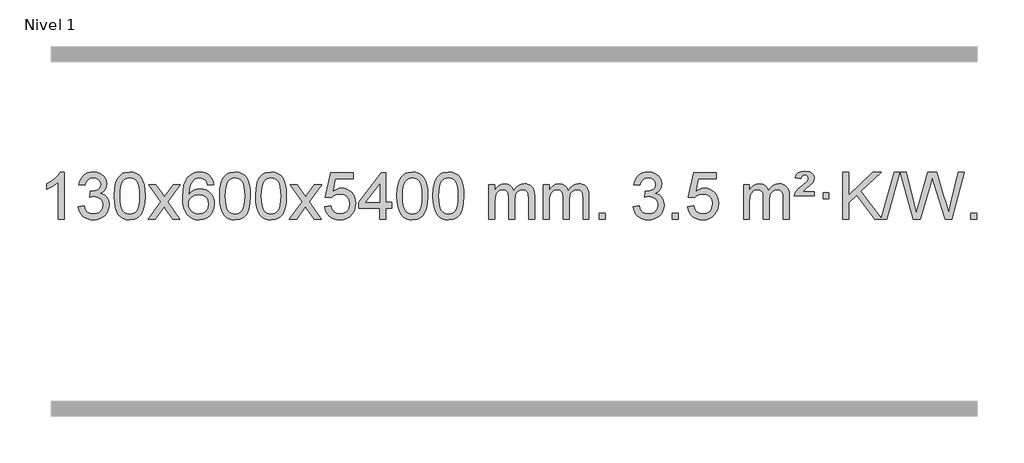
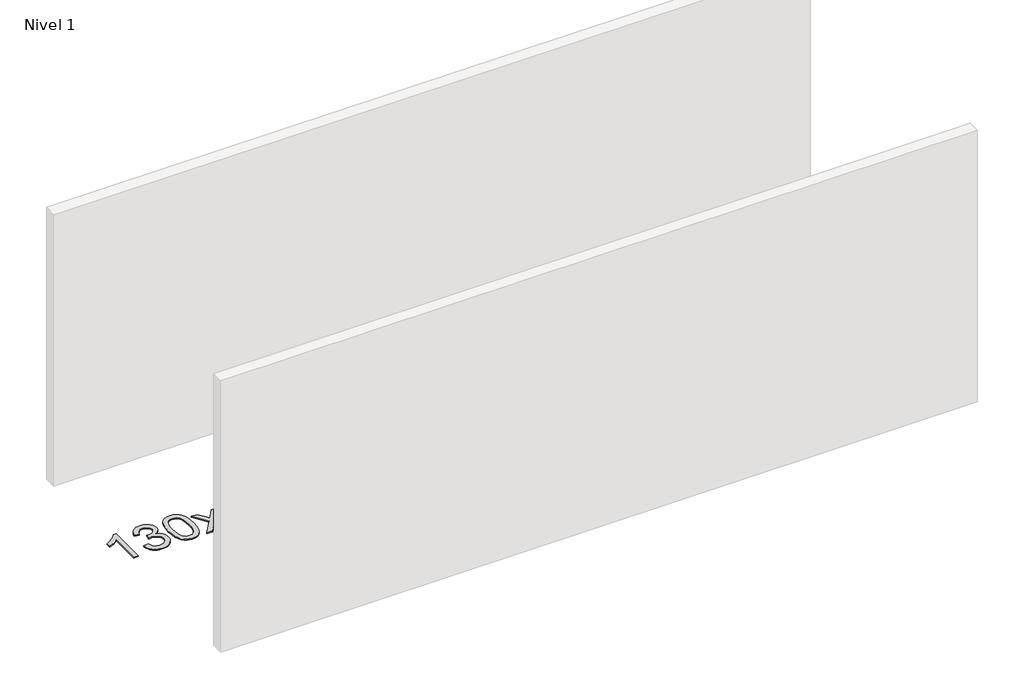
# One storey, part 13 of 25: 1 proxy.
"""IFC4 building model written with IfcOpenShell, lengths in millimetres."""

from ifc_helpers import new_model, si_unit, origin, origin_with_axes, place, context, project, spatial, polyline, outline, extrude, element, save

model = new_model("IFC4")

# Units and contexts
model_context = context("Model", 3, world=origin())
ifc_project = project(units=[si_unit("LENGTHUNIT", "METRE", prefix="MILLI")], contexts=[model_context])

# Site, building, storey
site = spatial("IfcSite", under=ifc_project)
building = spatial("IfcBuilding", under=site)
storey = spatial("IfcBuildingStorey", under=building, Name="Nivel 1", Elevation=0.0)

# Proxy
placement = place(None, origin())
element("IfcBuildingElementProxy", 1, Name="Texto de modelo 1", ObjectType="Texto de modelo 1", at=placement, inside=storey, context=model_context, shape_type="SweptSolid", body=[
    extrude(outline(polyline([(-121.6378538, -30665.579453), (-171.8660089, -30665.579453), (-171.8660089, -30352.4382987), (-192.8352826, -30369.3976587), (-219.4454136, -30386.3324932), (-272.3223191, -30411.6918254), (-272.3223191, -30364.2105225), (-232.8731065, -30342.7507395), (-198.6968691, -30317.219729), (-171.7556443, -30290.0700378), (-154.0114694, -30263.7542124), (-121.6378538, -30263.7542124), (-121.6378538, -30665.579453)])), origin_with_axes(), (0.0, 0.0, 1.0), 10.0),
    extrude(outline(polyline([(-2.3459855, -30558.8446235), (47.8821695, -30552.5661041), (59.1270958, -30584.1303793), (75.5959465, -30605.4430095), (98.0980619, -30617.5831154), (127.4427824, -30621.6298173), (161.8765371, -30616.0625364), (176.1503585, -30609.1034354), (188.4621426, -30599.3606939), (205.4582908, -30574.4428201), (211.1236735, -30544.2274455), (205.5073417, -30515.5449126), (188.6583463, -30492.2825078), (163.1518614, -30476.8682522), (131.5630607, -30471.730167), (96.344491, -30477.2238715), (101.9362974, -30426.9957164), (109.9806503, -30427.5843276), (140.0733975, -30423.979084), (166.9778341, -30413.1633534), (178.0510822, -30404.9841103), (185.9605451, -30394.8673555), (190.7062228, -30382.8130888), (192.2881154, -30368.8213102), (187.7018532, -30347.1285352), (173.9430665, -30329.5315131), (152.9492674, -30317.8696539), (126.6579674, -30313.9823675), (100.3176166, -30317.9064421), (78.7842571, -30329.6786659), (63.0634332, -30349.299039), (54.1606889, -30376.7675613), (3.9325338, -30370.4890419), (9.8860908, -30346.5092672), (18.72139, -30325.3867093), (30.4384316, -30307.1213683), (45.0372154, -30291.713244), (62.0578891, -30279.4811677), (81.0406, -30270.7439703), (101.9853483, -30265.5016519), (124.8921339, -30263.7542124), (156.4686718, -30267.2000404), (185.4700357, -30277.5375245), (209.9219257, -30293.8469596), (227.8500416, -30315.2086408), (238.8497132, -30339.8199463), (242.5162704, -30365.8782543), (239.0336542, -30390.1584659), (228.5858056, -30412.1823347), (211.3198773, -30430.9443165), (187.3830221, -30445.4388671), (218.82467, -30458.1430586), (242.123863, -30479.77452), (256.5448372, -30509.1560286), (261.3518286, -30545.1103623), (258.9483329, -30570.5923218), (251.7378458, -30594.0631931), (239.7203673, -30615.5229762), (222.8958974, -30634.971671), (202.3987389, -30651.1094278), (179.3631946, -30662.636397), (153.7892646, -30669.5525785), (125.6769488, -30671.8579724), (100.2685656, -30669.8898037), (77.1165254, -30663.9852977), (56.2208281, -30654.1444543), (37.5814737, -30640.3672736), (21.9526202, -30623.4630959), (10.0884259, -30604.2412617), (1.9888906, -30582.7017708), (-2.3459855, -30558.8446235)])), origin_with_axes(), (0.0, 0.0, 1.0), 10.0),
    extrude(outline(polyline([(305.3014643, -30467.9041943), (308.992547, -30403.5861588), (320.065795, -30352.2911459), (338.4108439, -30313.2343407), (350.2689068, -30298.0009605), (363.9173289, -30285.6309284), (379.4020952, -30276.0598651), (396.769191, -30269.2233914), (437.1503714, -30263.7542124), (468.1015099, -30266.991574), (495.8152869, -30276.7036586), (518.9918526, -30292.5103217), (536.3313573, -30314.0314184), (549.4279563, -30341.0830078), (559.8758049, -30373.4811488), (566.7184101, -30414.6226186), (568.9992784, -30467.9041943), (565.3449839, -30531.8543477), (554.3821005, -30583.0267333), (536.1474163, -30622.1203266), (524.3169444, -30637.3996922), (510.6777195, -30649.8341036), (495.174559, -30659.4695462), (477.7522809, -30666.3520052), (437.1503714, -30671.8579724), (409.4856453, -30669.4667394), (384.960179, -30662.2930405), (363.5739723, -30650.3368757), (345.3270254, -30633.5982449), (327.8158424, -30603.3399508), (315.3078546, -30565.6381776), (307.8030619, -30520.4929255), (305.3014643, -30467.9041943)]), holes=[polyline([(355.5296194, -30467.8060924), (357.0011473, -30511.4706195), (361.4157313, -30546.8148822), (368.7733712, -30573.8388804), (379.0740671, -30592.5426142), (391.533004, -30605.2682656), (405.365367, -30614.3580165), (420.5711561, -30619.8118671), (437.1503714, -30621.6298173), (453.7295866, -30619.8057357), (468.9353757, -30614.3334911), (482.7677388, -30605.2130833), (495.2266757, -30592.4445124), (505.5273715, -30573.7101217), (512.8850114, -30546.6922549), (517.2995954, -30511.3909118), (518.7711234, -30467.8060924), (517.3486463, -30425.2973278), (513.0812152, -30390.5753989), (505.9688299, -30363.6403055), (496.0114906, -30344.4920476), (483.7610201, -30331.1440625), (469.7692416, -30321.6097875), (454.0361549, -30315.8892225), (436.5617602, -30313.9823675), (420.068384, -30315.6623619), (405.1201123, -30320.7023452), (391.716945, -30329.1023175), (379.858882, -30340.8622786), (369.2148296, -30361.708925), (361.611935, -30389.8151094), (357.0501983, -30425.1808319), (355.5296194, -30467.8060924)])]), origin_with_axes(), (0.0, 0.0, 1.0), 10.0),
    extrude(outline(polyline([(594.113356, -30665.579453), (701.4367967, -30517.1513307), (600.3918754, -30370.4890419), (660.6264207, -30370.4890419), (709.3830478, -30441.2204869), (732.2407824, -30474.4770192), (752.0573592, -30447.2047007), (807.583015, -30370.4890419), (868.0137641, -30370.4890419), (761.8675458, -30517.2494325), (864.0896895, -30665.579453), (803.7570423, -30665.579453), (742.1490708, -30576.3067555), (730.9654582, -30559.923744), (654.544105, -30665.579453), (594.113356, -30665.579453)])), origin_with_axes(), (0.0, 0.0, 1.0), 10.0),
    extrude(outline(polyline([(1152.9015812, -30370.4890419), (1102.6734261, -30376.7675613), (1094.5800222, -30351.874213), (1083.6416642, -30334.8780648), (1060.857506, -30319.2062918), (1033.3154073, -30313.9823675), (1009.9671633, -30317.0235253), (987.9923455, -30326.1469988), (969.1199991, -30345.3627017), (953.7057435, -30371.8134171), (943.2946831, -30409.227016), (939.4319221, -30461.3313693), (959.5795927, -30437.8237098), (983.7249143, -30421.2567573), (1010.5189863, -30411.434308), (1038.612908, -30408.1601582), (1062.7459669, -30410.398107), (1085.0150903, -30417.1119534), (1105.4202783, -30428.3016975), (1123.9615309, -30443.9673391), (1139.3696551, -30463.1769106), (1150.3754581, -30484.9984443), (1156.97894, -30509.4319401), (1159.1801006, -30536.4773982), (1155.0352967, -30572.4439945), (1142.6008853, -30605.786366), (1122.9069358, -30634.0642287), (1096.9835179, -30654.8372987), (1066.0078539, -30667.602804), (1031.1571662, -30671.8579724), (1001.2146375, -30669.0375437), (974.1722452, -30660.5762579), (950.0299893, -30646.4741147), (928.7878697, -30626.7311143), (911.4698248, -30600.5133908), (899.0997927, -30566.9870783), (891.6777734, -30526.1521768), (889.203767, -30478.0086864), (891.9506193, -30424.0342663), (900.191176, -30377.9693092), (913.9254371, -30339.8138149), (933.1534027, -30309.5677835), (953.9939177, -30289.5243462), (978.1576335, -30275.2076052), (1005.6445499, -30266.6175606), (1036.454667, -30263.7542124), (1059.5883131, -30265.5261773), (1080.52693, -30270.8420722), (1099.2705176, -30279.7018969), (1115.8190761, -30292.1056515), (1129.7250155, -30307.6364031), (1140.5407461, -30325.8772186), (1148.266268, -30346.8280983), (1152.9015812, -30370.4890419)]), holes=[polyline([(939.4319221, -30535.6925832), (942.3381899, -30557.9494439), (951.0569932, -30579.2007605), (964.5950506, -30597.472233), (981.9590807, -30610.7895612), (1002.9160917, -30618.9197533), (1027.2330916, -30621.6298173), (1060.3792594, -30616.0134855), (1074.2943959, -30608.9930708), (1086.4375674, -30599.1644901), (1096.2876078, -30586.9262824), (1103.323351, -30572.6769865), (1108.9519455, -30538.1451299), (1103.3969274, -30504.9989621), (1096.4531547, -30491.3781312), (1086.731873, -30479.725469), (1074.5519133, -30470.3904634), (1060.2321066, -30463.7226022), (1025.1729524, -30458.3883133), (992.0758356, -30463.7226022), (964.3988468, -30479.725469), (953.4758173, -30491.2248471), (945.6736533, -30504.3858254), (940.9923549, -30519.2084042), (939.4319221, -30535.6925832)])]), origin_with_axes(), (0.0, 0.0, 1.0), 10.0),
    extrude(outline(polyline([(1203.1297362, -30467.9041943), (1206.8208189, -30403.5861588), (1217.894067, -30352.2911459), (1236.2391158, -30313.2343407), (1248.0971788, -30298.0009605), (1261.7456008, -30285.6309284), (1277.2303671, -30276.0598651), (1294.597463, -30269.2233914), (1334.9786433, -30263.7542124), (1365.9297818, -30266.991574), (1393.6435588, -30276.7036586), (1416.8201245, -30292.5103217), (1434.1596292, -30314.0314184), (1447.2562282, -30341.0830078), (1457.7040769, -30373.4811488), (1464.546682, -30414.6226186), (1466.8275504, -30467.9041943), (1463.1732559, -30531.8543477), (1452.2103725, -30583.0267333), (1433.9756882, -30622.1203266), (1422.1452164, -30637.3996922), (1408.5059914, -30649.8341036), (1393.002831, -30659.4695462), (1375.5805529, -30666.3520052), (1334.9786433, -30671.8579724), (1307.3139173, -30669.4667394), (1282.7884509, -30662.2930405), (1261.4022443, -30650.3368757), (1243.1552973, -30633.5982449), (1225.6441144, -30603.3399508), (1213.1361265, -30565.6381776), (1205.6313338, -30520.4929255), (1203.1297362, -30467.9041943)]), holes=[polyline([(1253.3578913, -30467.8060924), (1254.8294193, -30511.4706195), (1259.2440032, -30546.8148822), (1266.6016432, -30573.8388804), (1276.902339, -30592.5426142), (1289.3612759, -30605.2682656), (1303.1936389, -30614.3580165), (1318.3994281, -30619.8118671), (1334.9786433, -30621.6298173), (1351.5578586, -30619.8057357), (1366.7636477, -30614.3334911), (1380.5960107, -30605.2130833), (1393.0549476, -30592.4445124), (1403.3556435, -30573.7101217), (1410.7132834, -30546.6922549), (1415.1278673, -30511.3909118), (1416.5993953, -30467.8060924), (1415.1769183, -30425.2973278), (1410.9094871, -30390.5753989), (1403.7971019, -30363.6403055), (1393.8397625, -30344.4920476), (1381.5892921, -30331.1440625), (1367.5975136, -30321.6097875), (1351.8644269, -30315.8892225), (1334.3900321, -30313.9823675), (1317.896656, -30315.6623619), (1302.9483843, -30320.7023452), (1289.5452169, -30329.1023175), (1277.6871539, -30340.8622786), (1267.0431015, -30361.708925), (1259.440207, -30389.8151094), (1254.8784702, -30425.1808319), (1253.3578913, -30467.8060924)])]), origin_with_axes(), (0.0, 0.0, 1.0), 10.0),
    extrude(outline(polyline([(1510.7771861, -30467.9041943), (1514.4682688, -30403.5861588), (1525.5415168, -30352.2911459), (1543.8865656, -30313.2343407), (1555.7446286, -30298.0009605), (1569.3930506, -30285.6309284), (1584.877817, -30276.0598651), (1602.2449128, -30269.2233914), (1642.6260932, -30263.7542124), (1673.5772317, -30266.991574), (1701.2910087, -30276.7036586), (1724.4675743, -30292.5103217), (1741.8070791, -30314.0314184), (1754.9036781, -30341.0830078), (1765.3515267, -30373.4811488), (1772.1941319, -30414.6226186), (1774.4750002, -30467.9041943), (1770.8207057, -30531.8543477), (1759.8578223, -30583.0267333), (1741.6231381, -30622.1203266), (1729.7926662, -30637.3996922), (1716.1534413, -30649.8341036), (1700.6502808, -30659.4695462), (1683.2280027, -30666.3520052), (1642.6260932, -30671.8579724), (1614.9613671, -30669.4667394), (1590.4359008, -30662.2930405), (1569.0496941, -30650.3368757), (1550.8027472, -30633.5982449), (1533.2915642, -30603.3399508), (1520.7835764, -30565.6381776), (1513.2787836, -30520.4929255), (1510.7771861, -30467.9041943)]), holes=[polyline([(1561.0053412, -30467.8060924), (1562.4768691, -30511.4706195), (1566.8914531, -30546.8148822), (1574.249093, -30573.8388804), (1584.5497888, -30592.5426142), (1597.0087258, -30605.2682656), (1610.8410888, -30614.3580165), (1626.0468779, -30619.8118671), (1642.6260932, -30621.6298173), (1659.2053084, -30619.8057357), (1674.4110975, -30614.3334911), (1688.2434606, -30605.2130833), (1700.7023975, -30592.4445124), (1711.0030933, -30573.7101217), (1718.3607332, -30546.6922549), (1722.7753172, -30511.3909118), (1724.2468452, -30467.8060924), (1722.8243681, -30425.2973278), (1718.556937, -30390.5753989), (1711.4445517, -30363.6403055), (1701.4872124, -30344.4920476), (1689.2367419, -30331.1440625), (1675.2449634, -30321.6097875), (1659.5118767, -30315.8892225), (1642.037482, -30313.9823675), (1625.5441058, -30315.6623619), (1610.5958341, -30320.7023452), (1597.1926667, -30329.1023175), (1585.3346038, -30340.8622786), (1574.6905514, -30361.708925), (1567.0876568, -30389.8151094), (1562.5259201, -30425.1808319), (1561.0053412, -30467.8060924)])]), origin_with_axes(), (0.0, 0.0, 1.0), 10.0),
    extrude(outline(polyline([(1799.5890778, -30665.579453), (1906.9125185, -30517.1513307), (1805.8675971, -30370.4890419), (1866.1021425, -30370.4890419), (1914.8587696, -30441.2204869), (1937.7165042, -30474.4770192), (1957.533081, -30447.2047007), (2013.0587368, -30370.4890419), (2073.4894859, -30370.4890419), (1967.3432676, -30517.2494325), (2069.5654113, -30665.579453), (2009.2327641, -30665.579453), (1947.6247926, -30576.3067555), (1936.44118, -30559.923744), (1860.0198268, -30665.579453), (1799.5890778, -30665.579453)])), origin_with_axes(), (0.0, 0.0, 1.0), 10.0),
    extrude(outline(polyline([(2100.9580082, -30558.8446235), (2151.1861633, -30552.5661041), (2160.4077386, -30582.7201649), (2176.4964446, -30604.3148381), (2199.3787047, -30617.3010725), (2228.9809425, -30621.6298173), (2248.1108063, -30620.1245668), (2264.9843271, -30615.6088153), (2279.6015051, -30608.0825628), (2291.9623401, -30597.5458094), (2301.7909207, -30584.519721), (2308.8113355, -30569.5254641), (2314.4276673, -30533.6324441), (2309.1669547, -30499.8363514), (2302.5910641, -30485.9181493), (2293.3848172, -30473.9865099), (2281.5175571, -30464.4154467), (2266.9586272, -30457.5789729), (2229.7657575, -30452.1097939), (2205.3997066, -30454.2925604), (2185.668969, -30460.8408599), (2169.9113568, -30470.8717757), (2157.4646827, -30483.5023908), (2107.2365276, -30477.2238715), (2151.1861633, -30270.0327318), (2345.8202642, -30270.0327318), (2345.8202642, -30320.2608869), (2191.8003356, -30320.2608869), (2170.2179252, -30430.919791), (2187.943706, -30418.2155994), (2206.0986824, -30409.1411769), (2224.6828546, -30403.6965234), (2243.6962223, -30401.8816388), (2268.160375, -30404.1318504), (2290.6379649, -30410.882485), (2311.1289921, -30422.1335427), (2329.6334564, -30437.8850234), (2344.9557415, -30457.1743027), (2355.9002309, -30479.038756), (2362.4669245, -30503.4783832), (2364.6558224, -30530.4931844), (2362.6876537, -30556.5147042), (2356.7831477, -30580.7213394), (2346.9423043, -30603.1130902), (2333.1651236, -30623.6899565), (2312.2939517, -30644.7634634), (2287.9401636, -30659.8159684), (2260.1037593, -30668.8474714), (2228.7847388, -30671.8579724), (2202.8643866, -30669.9235262), (2179.4517632, -30664.1201877), (2158.5468689, -30654.447957), (2140.1497034, -30640.9068338), (2124.8427467, -30624.1712688), (2113.2084787, -30604.915712), (2105.2468991, -30583.1401636), (2100.9580082, -30558.8446235)])), origin_with_axes(), (0.0, 0.0, 1.0), 10.0),
    extrude(outline(polyline([(2571.846962, -30665.579453), (2571.846962, -30571.4016622), (2389.7698999, -30571.4016622), (2389.7698999, -30521.1735072), (2584.4040008, -30270.0327318), (2622.0751171, -30270.0327318), (2622.0751171, -30521.1735072), (2672.3032722, -30521.1735072), (2672.3032722, -30571.4016622), (2622.0751171, -30571.4016622), (2622.0751171, -30665.579453), (2571.846962, -30665.579453)]), holes=[polyline([(2571.846962, -30521.1735072), (2571.846962, -30365.9763561), (2451.5740751, -30521.1735072), (2571.846962, -30521.1735072)])]), origin_with_axes(), (0.0, 0.0, 1.0), 10.0),
    extrude(outline(polyline([(2716.2529079, -30467.9041943), (2719.9439906, -30403.5861588), (2731.0172386, -30352.2911459), (2749.3622874, -30313.2343407), (2761.2203504, -30298.0009605), (2774.8687724, -30285.6309284), (2790.3535388, -30276.0598651), (2807.7206346, -30269.2233914), (2848.1018149, -30263.7542124), (2879.0529535, -30266.991574), (2906.7667304, -30276.7036586), (2929.9432961, -30292.5103217), (2947.2828008, -30314.0314184), (2960.3793999, -30341.0830078), (2970.8272485, -30373.4811488), (2977.6698537, -30414.6226186), (2979.950722, -30467.9041943), (2976.2964275, -30531.8543477), (2965.3335441, -30583.0267333), (2947.0988599, -30622.1203266), (2935.268388, -30637.3996922), (2921.6291631, -30649.8341036), (2906.1260026, -30659.4695462), (2888.7037245, -30666.3520052), (2848.1018149, -30671.8579724), (2820.4370889, -30669.4667394), (2795.9116226, -30662.2930405), (2774.5254159, -30650.3368757), (2756.278469, -30633.5982449), (2738.767286, -30603.3399508), (2726.2592981, -30565.6381776), (2718.7545054, -30520.4929255), (2716.2529079, -30467.9041943)]), holes=[polyline([(2766.481063, -30467.8060924), (2767.9525909, -30511.4706195), (2772.3671749, -30546.8148822), (2779.7248148, -30573.8388804), (2790.0255106, -30592.5426142), (2802.4844475, -30605.2682656), (2816.3168106, -30614.3580165), (2831.5225997, -30619.8118671), (2848.1018149, -30621.6298173), (2864.6810302, -30619.8057357), (2879.8868193, -30614.3334911), (2893.7191824, -30605.2130833), (2906.1781193, -30592.4445124), (2916.4788151, -30573.7101217), (2923.836455, -30546.6922549), (2928.251039, -30511.3909118), (2929.7225669, -30467.8060924), (2928.3000899, -30425.2973278), (2924.0326588, -30390.5753989), (2916.9202735, -30363.6403055), (2906.9629342, -30344.4920476), (2894.7124637, -30331.1440625), (2880.7206852, -30321.6097875), (2864.9875985, -30315.8892225), (2847.5132038, -30313.9823675), (2831.0198276, -30315.6623619), (2816.0715559, -30320.7023452), (2802.6683885, -30329.1023175), (2790.8103256, -30340.8622786), (2780.1662732, -30361.708925), (2772.5633786, -30389.8151094), (2768.0016419, -30425.1808319), (2766.481063, -30467.8060924)])]), origin_with_axes(), (0.0, 0.0, 1.0), 10.0),
    extrude(outline(polyline([(3023.9003577, -30467.9041943), (3027.5914404, -30403.5861588), (3038.6646885, -30352.2911459), (3057.0097373, -30313.2343407), (3068.8678003, -30298.0009605), (3082.5162223, -30285.6309284), (3098.0009886, -30276.0598651), (3115.3680844, -30269.2233914), (3155.7492648, -30263.7542124), (3186.7004033, -30266.991574), (3214.4141803, -30276.7036586), (3237.590746, -30292.5103217), (3254.9302507, -30314.0314184), (3268.0268497, -30341.0830078), (3278.4746984, -30373.4811488), (3285.3173035, -30414.6226186), (3287.5981719, -30467.9041943), (3283.9438774, -30531.8543477), (3272.9809939, -30583.0267333), (3254.7463097, -30622.1203266), (3242.9158379, -30637.3996922), (3229.2766129, -30649.8341036), (3213.7734525, -30659.4695462), (3196.3511743, -30666.3520052), (3155.7492648, -30671.8579724), (3128.0845387, -30669.4667394), (3103.5590724, -30662.2930405), (3082.1728657, -30650.3368757), (3063.9259188, -30633.5982449), (3046.4147358, -30603.3399508), (3033.906748, -30565.6381776), (3026.4019553, -30520.4929255), (3023.9003577, -30467.9041943)]), holes=[polyline([(3074.1285128, -30467.8060924), (3075.6000408, -30511.4706195), (3080.0146247, -30546.8148822), (3087.3722646, -30573.8388804), (3097.6729605, -30592.5426142), (3110.1318974, -30605.2682656), (3123.9642604, -30614.3580165), (3139.1700495, -30619.8118671), (3155.7492648, -30621.6298173), (3172.32848, -30619.8057357), (3187.5342692, -30614.3334911), (3201.3666322, -30605.2130833), (3213.8255691, -30592.4445124), (3224.126265, -30573.7101217), (3231.4839049, -30546.6922549), (3235.8984888, -30511.3909118), (3237.3700168, -30467.8060924), (3235.9475397, -30425.2973278), (3231.6801086, -30390.5753989), (3224.5677233, -30363.6403055), (3214.610384, -30344.4920476), (3202.3599136, -30331.1440625), (3188.368135, -30321.6097875), (3172.6350484, -30315.8892225), (3155.1606536, -30313.9823675), (3138.6672775, -30315.6623619), (3123.7190057, -30320.7023452), (3110.3158384, -30329.1023175), (3098.4577754, -30340.8622786), (3087.813723, -30361.708925), (3080.2108284, -30389.8151094), (3075.6490917, -30425.1808319), (3074.1285128, -30467.8060924)])]), origin_with_axes(), (0.0, 0.0, 1.0), 10.0),
    extrude(outline(polyline([(3501.0678309, -30665.579453), (3501.0678309, -30370.4890419), (3551.295986, -30370.4890419), (3551.295986, -30419.0494653), (3566.4036733, -30396.7435537), (3585.8278426, -30379.2691589), (3608.9063064, -30367.9751816), (3634.9768772, -30364.2105225), (3662.9113833, -30368.048758), (3685.3031341, -30379.5634645), (3702.0295022, -30397.9943524), (3712.9678601, -30422.5811324), (3731.2761208, -30397.0439906), (3752.1595554, -30378.803175), (3775.6181639, -30367.8586857), (3801.6519464, -30364.2105225), (3821.7597632, -30365.7280358), (3839.4089019, -30370.2805755), (3854.5993626, -30377.8681416), (3867.3311453, -30388.4907342), (3877.3957836, -30402.2709806), (3884.5848109, -30419.3315082), (3888.8982273, -30439.6723168), (3890.3360328, -30463.2934066), (3890.3360328, -30665.579453), (3840.1078777, -30665.579453), (3840.1078777, -30484.875817), (3838.942918, -30459.8230531), (3835.4480391, -30442.9372695), (3828.8997396, -30431.3735121), (3818.5745182, -30422.2868268), (3805.2939782, -30416.4007149), (3789.8797226, -30414.4386776), (3762.6687177, -30419.4663982), (3740.4854334, -30434.54956), (3731.8800604, -30446.1194488), (3725.7333654, -30460.7182326), (3720.8160094, -30499.0024856), (3720.8160094, -30665.579453), (3670.5878543, -30665.579453), (3670.5878543, -30479.2840106), (3667.6815865, -30450.8835206), (3658.9627833, -30430.6254854), (3643.6221041, -30418.4853796), (3620.8502086, -30414.4386776), (3601.4996156, -30417.1364789), (3583.6696016, -30425.2298828), (3568.9543218, -30438.5226856), (3558.9479315, -30456.8186835), (3553.2089724, -30482.2025411), (3551.295986, -30516.7589232), (3551.295986, -30665.579453), (3501.0678309, -30665.579453)])), origin_with_axes(), (0.0, 0.0, 1.0), 10.0),
    extrude(outline(polyline([(3965.6782654, -30665.579453), (3965.6782654, -30370.4890419), (4015.9064204, -30370.4890419), (4015.9064204, -30419.0494653), (4031.0141077, -30396.7435537), (4050.4382771, -30379.2691589), (4073.5167409, -30367.9751816), (4099.5873116, -30364.2105225), (4127.5218178, -30368.048758), (4149.9135685, -30379.5634645), (4166.6399366, -30397.9943524), (4177.5782946, -30422.5811324), (4195.8865552, -30397.0439906), (4216.7699898, -30378.803175), (4240.2285984, -30367.8586857), (4266.2623809, -30364.2105225), (4286.3701976, -30365.7280358), (4304.0193363, -30370.2805755), (4319.209797, -30377.8681416), (4331.9415798, -30388.4907342), (4342.006218, -30402.2709806), (4349.1952453, -30419.3315082), (4353.5086617, -30439.6723168), (4354.9464672, -30463.2934066), (4354.9464672, -30665.579453), (4304.7183121, -30665.579453), (4304.7183121, -30484.875817), (4303.5533525, -30459.8230531), (4300.0584735, -30442.9372695), (4293.510174, -30431.3735121), (4283.1849527, -30422.2868268), (4269.9044126, -30416.4007149), (4254.490157, -30414.4386776), (4227.2791521, -30419.4663982), (4205.0958678, -30434.54956), (4196.4904948, -30446.1194488), (4190.3437998, -30460.7182326), (4185.4264438, -30499.0024856), (4185.4264438, -30665.579453), (4135.1982887, -30665.579453), (4135.1982887, -30479.2840106), (4132.292021, -30450.8835206), (4123.5732177, -30430.6254854), (4108.2325385, -30418.4853796), (4085.460643, -30414.4386776), (4066.11005, -30417.1364789), (4048.280036, -30425.2298828), (4033.5647562, -30438.5226856), (4023.5583659, -30456.8186835), (4017.8194068, -30482.2025411), (4015.9064204, -30516.7589232), (4015.9064204, -30665.579453), (3965.6782654, -30665.579453)])), origin_with_axes(), (0.0, 0.0, 1.0), 10.0),
    extrude(outline(polyline([(4442.8457386, -30665.579453), (4442.8457386, -30615.3512979), (4493.0738936, -30615.3512979), (4493.0738936, -30665.579453), (4442.8457386, -30665.579453)])), origin_with_axes(), (0.0, 0.0, 1.0), 10.0),
    extrude(outline(polyline([(4731.6576303, -30558.8446235), (4781.8857853, -30552.5661041), (4793.1307116, -30584.1303793), (4809.5995623, -30605.4430095), (4832.1016777, -30617.5831154), (4861.4463982, -30621.6298173), (4895.8801529, -30616.0625364), (4910.1539743, -30609.1034354), (4922.4657584, -30599.3606939), (4939.4619066, -30574.4428201), (4945.1272893, -30544.2274455), (4939.5109575, -30515.5449126), (4922.6619621, -30492.2825078), (4897.1554772, -30476.8682522), (4865.5666765, -30471.730167), (4830.3481068, -30477.2238715), (4835.9399132, -30426.9957164), (4843.9842661, -30427.5843276), (4874.0770133, -30423.979084), (4900.9814499, -30413.1633534), (4912.054698, -30404.9841103), (4919.9641609, -30394.8673555), (4924.7098386, -30382.8130888), (4926.2917312, -30368.8213102), (4921.705469, -30347.1285352), (4907.9466823, -30329.5315131), (4886.9528832, -30317.8696539), (4860.6615832, -30313.9823675), (4834.3212324, -30317.9064421), (4812.7878729, -30329.6786659), (4797.067049, -30349.299039), (4788.1643047, -30376.7675613), (4737.9361496, -30370.4890419), (4743.8897066, -30346.5092672), (4752.7250058, -30325.3867093), (4764.4420474, -30307.1213683), (4779.0408312, -30291.713244), (4796.0615049, -30279.4811677), (4815.0442158, -30270.7439703), (4835.9889641, -30265.5016519), (4858.8957497, -30263.7542124), (4890.4722876, -30267.2000404), (4919.4736515, -30277.5375245), (4943.9255415, -30293.8469596), (4961.8536574, -30315.2086408), (4972.853329, -30339.8199463), (4976.5198862, -30365.8782543), (4973.03727, -30390.1584659), (4962.5894214, -30412.1823347), (4945.3234931, -30430.9443165), (4921.3866379, -30445.4388671), (4952.8282858, -30458.1430586), (4976.1274788, -30479.77452), (4990.548453, -30509.1560286), (4995.3554444, -30545.1103623), (4992.9519487, -30570.5923218), (4985.7414616, -30594.0631931), (4973.7239831, -30615.5229762), (4956.8995132, -30634.971671), (4936.4023547, -30651.1094278), (4913.3668104, -30662.636397), (4887.7928804, -30669.5525785), (4859.6805646, -30671.8579724), (4834.2721814, -30669.8898037), (4811.1201412, -30663.9852977), (4790.2244439, -30654.1444543), (4771.5850895, -30640.3672736), (4755.956236, -30623.4630959), (4744.0920417, -30604.2412617), (4735.9925064, -30582.7017708), (4731.6576303, -30558.8446235)])), origin_with_axes(), (0.0, 0.0, 1.0), 10.0),
    extrude(outline(polyline([(5064.4191576, -30665.579453), (5064.4191576, -30615.3512979), (5114.6473127, -30615.3512979), (5114.6473127, -30665.579453), (5064.4191576, -30665.579453)])), origin_with_axes(), (0.0, 0.0, 1.0), 10.0),
    extrude(outline(polyline([(5196.2680647, -30558.8446235), (5246.4962198, -30552.5661041), (5255.7177951, -30582.7201649), (5271.806501, -30604.3148381), (5294.6887611, -30617.3010725), (5324.290999, -30621.6298173), (5343.4208628, -30620.1245668), (5360.2943836, -30615.6088153), (5374.9115616, -30608.0825628), (5387.2723966, -30597.5458094), (5397.1009772, -30584.519721), (5404.121392, -30569.5254641), (5409.7377238, -30533.6324441), (5404.4770112, -30499.8363514), (5397.9011206, -30485.9181493), (5388.6948736, -30473.9865099), (5376.8276136, -30464.4154467), (5362.2686837, -30457.5789729), (5325.0758139, -30452.1097939), (5300.7097631, -30454.2925604), (5280.9790255, -30460.8408599), (5265.2214133, -30470.8717757), (5252.7747392, -30483.5023908), (5202.5465841, -30477.2238715), (5246.4962198, -30270.0327318), (5441.1303207, -30270.0327318), (5441.1303207, -30320.2608869), (5287.110392, -30320.2608869), (5265.5279817, -30430.919791), (5283.2537625, -30418.2155994), (5301.4087389, -30409.1411769), (5319.992911, -30403.6965234), (5339.0062788, -30401.8816388), (5363.4704315, -30404.1318504), (5385.9480214, -30410.882485), (5406.4390485, -30422.1335427), (5424.9435129, -30437.8850234), (5440.265798, -30457.1743027), (5451.2102874, -30479.038756), (5457.776981, -30503.4783832), (5459.9658788, -30530.4931844), (5457.9977102, -30556.5147042), (5452.0932041, -30580.7213394), (5442.2523608, -30603.1130902), (5428.4751801, -30623.6899565), (5407.6040082, -30644.7634634), (5383.2502201, -30659.8159684), (5355.4138158, -30668.8474714), (5324.0947953, -30671.8579724), (5298.174443, -30669.9235262), (5274.7618197, -30664.1201877), (5253.8569254, -30654.447957), (5235.4597599, -30640.9068338), (5220.1528032, -30624.1712688), (5208.5185351, -30604.915712), (5200.5569556, -30583.1401636), (5196.2680647, -30558.8446235)])), origin_with_axes(), (0.0, 0.0, 1.0), 10.0),
    extrude(outline(polyline([(5673.4355379, -30665.579453), (5673.4355379, -30370.4890419), (5723.663693, -30370.4890419), (5723.663693, -30419.0494653), (5738.7713802, -30396.7435537), (5758.1955496, -30379.2691589), (5781.2740134, -30367.9751816), (5807.3445842, -30364.2105225), (5835.2790903, -30368.048758), (5857.6708411, -30379.5634645), (5874.3972091, -30397.9943524), (5885.3355671, -30422.5811324), (5903.6438278, -30397.0439906), (5924.5272623, -30378.803175), (5947.9858709, -30367.8586857), (5974.0196534, -30364.2105225), (5994.1274702, -30365.7280358), (6011.7766089, -30370.2805755), (6026.9670696, -30377.8681416), (6039.6988523, -30388.4907342), (6049.7634906, -30402.2709806), (6056.9525179, -30419.3315082), (6061.2659343, -30439.6723168), (6062.7037397, -30463.2934066), (6062.7037397, -30665.579453), (6012.4755847, -30665.579453), (6012.4755847, -30484.875817), (6011.310625, -30459.8230531), (6007.8157461, -30442.9372695), (6001.2674465, -30431.3735121), (5990.9422252, -30422.2868268), (5977.6616852, -30416.4007149), (5962.2474296, -30414.4386776), (5935.0364247, -30419.4663982), (5912.8531404, -30434.54956), (5904.2477674, -30446.1194488), (5898.1010724, -30460.7182326), (5893.1837164, -30499.0024856), (5893.1837164, -30665.579453), (5842.9555613, -30665.579453), (5842.9555613, -30479.2840106), (5840.0492935, -30450.8835206), (5831.3304902, -30430.6254854), (5815.989811, -30418.4853796), (5793.2179155, -30414.4386776), (5773.8673226, -30417.1364789), (5756.0373086, -30425.2298828), (5741.3220287, -30438.5226856), (5731.3156385, -30456.8186835), (5725.5766794, -30482.2025411), (5723.663693, -30516.7589232), (5723.663693, -30665.579453), (5673.4355379, -30665.579453)])), origin_with_axes(), (0.0, 0.0, 1.0), 10.0),
    extrude(outline(polyline([(6106.6533754, -30464.6668327), (6110.4793482, -30448.8479069), (6118.8180067, -30432.9799302), (6140.3268407, -30407.8413272), (6172.2835234, -30380.1030247), (6216.4293628, -30342.726214), (6223.5662735, -30331.1992448), (6225.9452437, -30319.3779701), (6224.0567828, -30307.2869152), (6218.3914001, -30297.5012541), (6209.022672, -30291.026531), (6196.0241748, -30288.8682899), (6183.5897634, -30290.4869707), (6174.73607, -30295.343013), (6168.3103978, -30304.8098431), (6163.1600499, -30320.2608869), (6112.9318948, -30313.9823675), (6123.7721509, -30288.7701881), (6140.4004171, -30271.2099542), (6164.165594, -30260.9092583), (6196.4165822, -30257.475693), (6232.1992376, -30261.6082341), (6256.9454332, -30274.0058573), (6271.3664074, -30292.3386434), (6276.1733988, -30314.2766731), (6272.0776459, -30337.1834586), (6259.7903873, -30358.8149199), (6239.262572, -30378.6314968), (6202.7932035, -30406.6886303), (6177.1886166, -30433.2742358), (6276.1733988, -30433.2742358), (6276.1733988, -30464.6668327), (6106.6533754, -30464.6668327)])), origin_with_axes(), (0.0, 0.0, 1.0), 10.0),
    extrude(outline(polyline([(6351.5156314, -30489.7809102), (6351.5156314, -30439.5527552), (6401.7437865, -30439.5527552), (6401.7437865, -30489.7809102), (6351.5156314, -30489.7809102)])), origin_with_axes(), (0.0, 0.0, 1.0), 10.0),
    extrude(outline(polyline([(6792.3854144, -30665.579453), (6638.8559951, -30462.9009991), (6571.2638099, -30527.4520265), (6571.2638099, -30665.579453), (6521.0356548, -30665.579453), (6521.0356548, -30263.7542124), (6571.2638099, -30263.7542124), (6571.2638099, -30460.4484525), (6777.2777272, -30263.7542124), (6847.5186628, -30263.7542124), (6674.4669722, -30428.9577537), (6849.2180057, -30659.5373449), (6960.5320117, -30263.7542124), (7006.0512772, -30263.7542124), (6892.9398265, -30665.579453), (6853.7971822, -30665.579453), (6847.5186628, -30665.579453), (6792.3854144, -30665.579453)])), origin_with_axes(), (0.0, 0.0, 1.0), 10.0),
    extrude(outline(polyline([(7120.3399504, -30665.579453), (7010.7601668, -30263.7542124), (7062.5579517, -30263.7542124), (7126.1279605, -30527.844434), (7145.7483335, -30609.3670841), (7166.7421327, -30537.2622131), (7246.4008474, -30263.7542124), (7321.056367, -30263.7542124), (7378.9364675, -30462.0180823), (7403.731714, -30535.5944814), (7422.0031864, -30609.3670841), (7441.0349483, -30530.1988788), (7505.0954664, -30263.7542124), (7556.9913532, -30263.7542124), (7447.5096714, -30665.579453), (7393.7498492, -30665.579453), (7297.3157155, -30355.5775584), (7283.87576, -30312.3146358), (7268.7680727, -30364.4067263), (7180.9669032, -30665.579453), (7120.3399504, -30665.579453)])), origin_with_axes(), (0.0, 0.0, 1.0), 10.0),
    extrude(outline(polyline([(7613.4980277, -30665.579453), (7613.4980277, -30615.3512979), (7663.7261827, -30615.3512979), (7663.7261827, -30665.579453), (7613.4980277, -30665.579453)])), origin_with_axes(), (0.0, 0.0, 1.0), 10.0),
])

save(model, "model.ifc")
